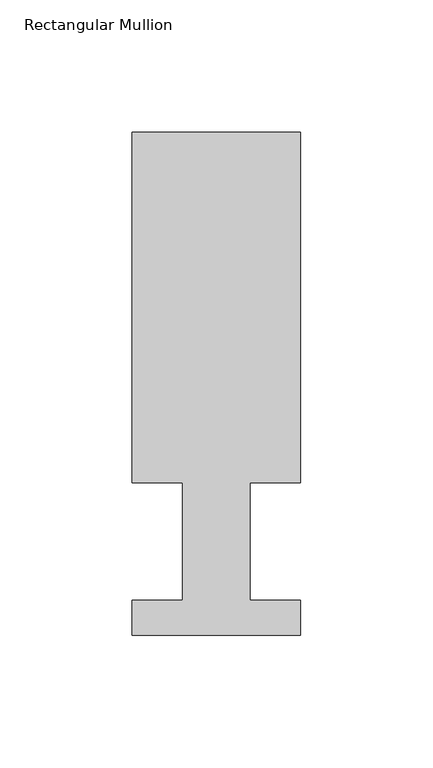
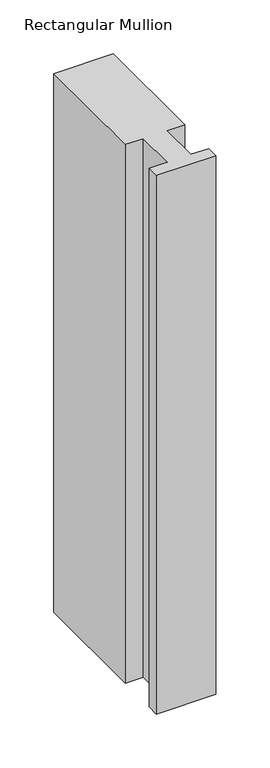
"""IFC4 building model written with IfcOpenShell, lengths in millimetres: member geometry, Rectangular Mullion."""

from ifc_helpers import new_model, si_unit, frame, origin, place, context, project, spatial, polyline, outline, extrude, source, transform, mapped, element, save


def rectangular_mullion_adc9301b(model_context):
    return source(origin(), model_context, "Body", "SweptSolid", [
        extrude(outline(polyline([(-63.5, 189.8022938), (0.0, 189.8022938), (0.0, 57.6460937), (-19.0373, 57.6460937), (-19.0373, 13.1960938), (0.0, 13.1960938), (0.0, 0.0134938), (-63.5, 0.0134938), (-63.5, 13.1960938), (-44.45, 13.1960938), (-44.45, 57.6460937), (-63.5, 57.6460937), (-63.5, 189.8022938)])), frame((0.0, 0.0, -609.6), z_axis=(0.0, 0.0, 1.0), x_axis=(1.0, 0.0, 0.0)), (0.0, 0.0, 1.0), 609.6),
    ])


if __name__ == "__main__":
    model = new_model("IFC4")
    model_context = context("Model", 3, world=origin())
    ifc_project = project(units=[si_unit("LENGTHUNIT", "METRE", prefix="MILLI")], contexts=[model_context])
    site = spatial("IfcSite", under=ifc_project)
    building = spatial("IfcBuilding", under=site)
    placement = place(None, origin())
    rectangular_mullion_shape = rectangular_mullion_adc9301b(model_context)
    element("IfcMember", 1, ObjectType="Rectangular Mullion", at=placement, inside=building, context=model_context, shape_type="MappedRepresentation", body=[
        mapped(rectangular_mullion_shape, transform((0.0, 0.0, 0.0), x_axis=(1.0, 0.0, 0.0), y_axis=(0.0, 1.0, 0.0), z_axis=(0.0, 0.0, 1.0))),
    ])
    save(model, "model.ifc")
